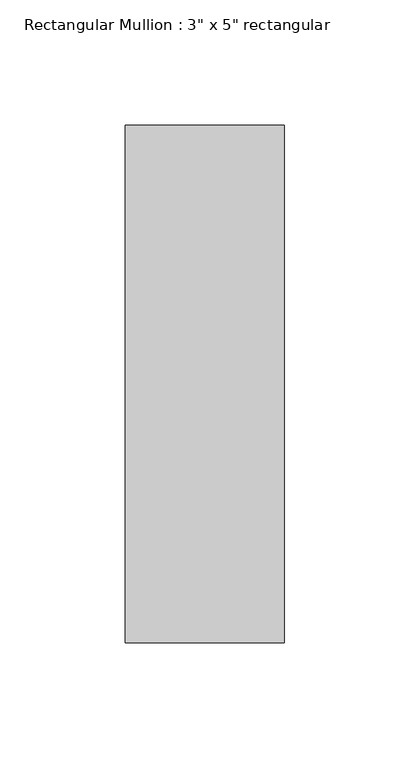
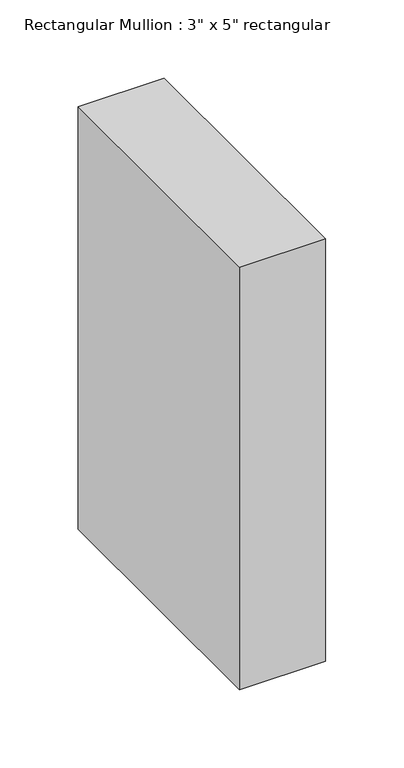
"""IFC4 building model written with IfcOpenShell, lengths in millimetres: member geometry."""

from ifc_helpers import new_model, si_unit, frame, origin, place, context, project, spatial, polyline, outline, extrude, source, transform, mapped, element, save


def member_c4111d6a(model_context):
    return source(origin(), model_context, "Body", "SweptSolid", [
        extrude(outline(polyline([(31.75, 90.551), (31.75, -115.951), (-31.75, -115.951), (-31.75, 90.551), (31.75, 90.551)])), frame((0.0, 0.0, -329.7), z_axis=(0.0, 0.0, 1.0), x_axis=(1.0, 0.0, 0.0)), (0.0, 0.0, 1.0), 329.7),
    ])


if __name__ == "__main__":
    model = new_model("IFC4")
    model_context = context("Model", 3, world=origin())
    ifc_project = project(units=[si_unit("LENGTHUNIT", "METRE", prefix="MILLI")], contexts=[model_context])
    site = spatial("IfcSite", under=ifc_project)
    building = spatial("IfcBuilding", under=site)
    placement = place(None, origin())
    member_shape = member_c4111d6a(model_context)
    element("IfcMember", 1, ObjectType="Rectangular Mullion : 3\" x 5\" rectangular", at=placement, inside=building, context=model_context, shape_type="MappedRepresentation", body=[
        mapped(member_shape, transform((0.0, 0.0, 0.0), x_axis=(1.0, 0.0, 0.0), y_axis=(0.0, 1.0, 0.0), z_axis=(0.0, 0.0, 1.0))),
    ])
    save(model, "model.ifc")
